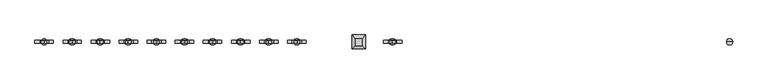
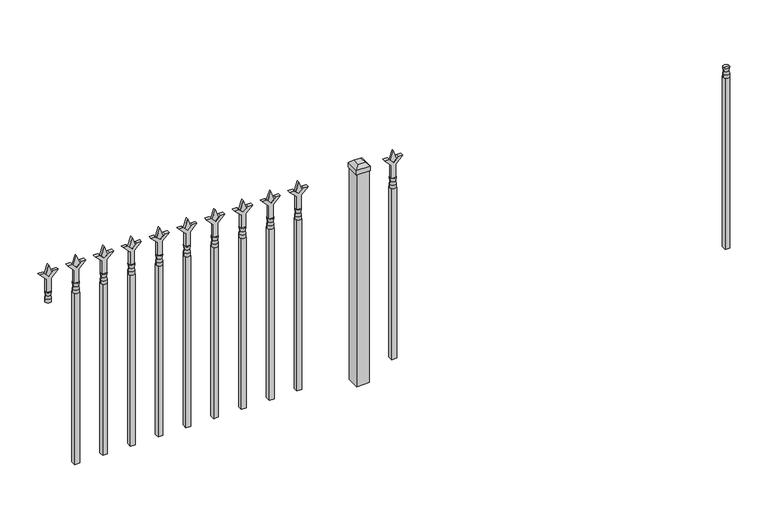
"""IFC4 building model written with IfcOpenShell, lengths in millimetres: railing geometry."""

from ifc_helpers import new_model, si_unit, frame, origin, origin_with_axes, place, context, project, spatial, polyline, circle_curve, outline, extrude, faceted_brep, source, transform, mapped, element, save
from ifc_brep_helpers import plane_surface, cylinder_surface, revolved_surface, advanced_brep


def railing_294f4ce1(model_context):
    return source(origin(), model_context, "Body", "SolidModel", [
        advanced_brep(
        [(-88770.174337, -3073.6570174, 774.7), (-88793.986837, -3073.6570174, 774.7), (-88793.986837, -3073.6570174, 762.0), (-88770.174337, -3073.6570174, 762.0), (-88772.3796688, -3073.6570174, 787.2070585), (-88791.7815051, -3073.6570174, 787.2070585), (-88770.174337, -3073.6570174, 803.275), (-88793.986837, -3073.6570174, 803.275), (-88782.080587, -3073.6570174, 803.275), (-88782.080587, -3073.6570174, 762.0)],
        [
            (0, 1, circle_curve(frame((-88782.080587, -3073.6570174, 774.7), z_axis=(0.0, 0.0, -1.0), x_axis=(-1.0, 0.0, 0.0)), 11.90625)),
            (1, 2),
            (2, 3, circle_curve(frame((-88782.080587, -3073.6570174, 762.0), z_axis=(0.0, 0.0, 1.0), x_axis=(-1.0, 0.0, 0.0)), 11.90625)),
            (3, 0),
            (1, 0, circle_curve(frame((-88782.080587, -3073.6570174, 774.7), z_axis=(0.0, 0.0, -1.0), x_axis=(-1.0, 0.0, 0.0)), 11.90625)),
            (3, 2, circle_curve(frame((-88782.080587, -3073.6570174, 762.0), z_axis=(0.0, 0.0, 1.0), x_axis=(-1.0, 0.0, 0.0)), 11.90625)),
            (4, 5, circle_curve(frame((-88782.080587, -3073.6570174, 787.2070585), z_axis=(0.0, 0.0, -1.0), x_axis=(-1.0, 0.0, 0.0)), 9.7009181)),
            (5, 1),
            (0, 4),
            (5, 4, circle_curve(frame((-88782.080587, -3073.6570174, 787.2070585), z_axis=(0.0, 0.0, -1.0), x_axis=(-1.0, 0.0, 0.0)), 9.7009181)),
            (6, 7, circle_curve(frame((-88782.080587, -3073.6570174, 803.275), z_axis=(0.0, 0.0, -1.0), x_axis=(-1.0, 0.0, 0.0)), 11.90625)),
            (7, 5),
            (4, 6),
            (7, 6, circle_curve(frame((-88782.080587, -3073.6570174, 803.275), z_axis=(0.0, 0.0, -1.0), x_axis=(-1.0, 0.0, 0.0)), 11.90625)),
            (8, 7),
            (6, 8),
            (2, 9),
            (9, 3),
        ],
        [
            cylinder_surface(frame((-88782.080587, -3073.6570174, 762.0), z_axis=(0.0, 0.0, 1.0), x_axis=(-1.0, 0.0, 0.0)), 11.90625),
            revolved_surface(polyline([(-88793.986837, -3073.6570174, 774.7), (-88791.7815051, -3073.6570174, 787.2070585)]), (-88782.080587, -3073.6570174, 762.0), (0.0, 0.0, 1.0)),
            revolved_surface(polyline([(-88791.7815051, -3073.6570174, 787.2070585), (-88793.986837, -3073.6570174, 803.275)]), (-88782.080587, -3073.6570174, 762.0), (0.0, 0.0, 1.0)),
            plane_surface(frame((-88782.080587, -3073.6570174, 803.275), z_axis=(0.0, 0.0, 1.0), x_axis=(-1.0, 0.0, 0.0))),
            plane_surface(frame((-88782.080587, -3073.6570174, 762.0), z_axis=(0.0, 0.0, -1.0), x_axis=(-1.0, 0.0, 0.0))),
        ],
        [
            (0, [[1, 2, 3, 4]]),
            (0, [[5, -4, 6, -2]]),
            (1, [[7, 8, -1, 9]]),
            (1, [[10, -9, -5, -8]]),
            (2, [[11, 12, -7, 13]]),
            (2, [[14, -13, -10, -12]]),
            (3, [[15, -11, 16]]),
            (3, [[-16, -14, -15]]),
            (4, [[-3, 17, 18]]),
            (4, [[-6, -18, -17]]),
        ],
    ),
        extrude(outline(polyline([(-88791.605587, -3064.1320174), (-88772.555587, -3064.1320174), (-88772.555587, -3083.1820174), (-88791.605587, -3083.1820174), (-88791.605587, -3064.1320174)])), frame((0.0, 0.0, 50.8), z_axis=(0.0, 0.0, 1.0), x_axis=(1.0, 0.0, 0.0)), (0.0, 0.0, 1.0), 711.2),
        extrude(outline(polyline([(878.68125, -90081.449337), (914.4, -90093.355587), (878.68125, -90105.261837), (866.775, -90093.355587), (878.68125, -90081.449337)])), frame((0.0, -3078.4195174, 0.0), z_axis=(0.0, 1.0, 0.0), x_axis=(0.0, 0.0, 1.0)), (0.0, 0.0, 1.0), 9.525),
        extrude(outline(polyline([(803.275, -90084.624337), (857.5457378, -90084.624337), (884.7355122, -90057.4345625), (884.7355122, -90075.3950747), (866.775, -90093.355587), (884.7355122, -90111.3160992), (884.7355122, -90129.2766114), (857.5457378, -90102.086837), (803.275, -90102.086837), (803.275, -90084.624337)])), frame((0.0, -3080.0070174, 0.0), z_axis=(0.0, 1.0, 0.0), x_axis=(0.0, 0.0, 1.0)), (0.0, 0.0, 1.0), 12.7),
        advanced_brep(
        [(-90081.449337, -3073.6570174, 774.7), (-90105.261837, -3073.6570174, 774.7), (-90105.261837, -3073.6570174, 762.0), (-90081.449337, -3073.6570174, 762.0), (-90083.6546688, -3073.6570174, 787.2070585), (-90103.0565051, -3073.6570174, 787.2070585), (-90081.449337, -3073.6570174, 803.275), (-90105.261837, -3073.6570174, 803.275), (-90093.355587, -3073.6570174, 803.275), (-90093.355587, -3073.6570174, 762.0)],
        [
            (0, 1, circle_curve(frame((-90093.355587, -3073.6570174, 774.7), z_axis=(0.0, 0.0, -1.0), x_axis=(-1.0, 0.0, 0.0)), 11.90625)),
            (1, 2),
            (2, 3, circle_curve(frame((-90093.355587, -3073.6570174, 762.0), z_axis=(0.0, 0.0, 1.0), x_axis=(-1.0, 0.0, 0.0)), 11.90625)),
            (3, 0),
            (1, 0, circle_curve(frame((-90093.355587, -3073.6570174, 774.7), z_axis=(0.0, 0.0, -1.0), x_axis=(-1.0, 0.0, 0.0)), 11.90625)),
            (3, 2, circle_curve(frame((-90093.355587, -3073.6570174, 762.0), z_axis=(0.0, 0.0, 1.0), x_axis=(-1.0, 0.0, 0.0)), 11.90625)),
            (4, 5, circle_curve(frame((-90093.355587, -3073.6570174, 787.2070585), z_axis=(0.0, 0.0, -1.0), x_axis=(-1.0, 0.0, 0.0)), 9.7009181)),
            (5, 1),
            (0, 4),
            (5, 4, circle_curve(frame((-90093.355587, -3073.6570174, 787.2070585), z_axis=(0.0, 0.0, -1.0), x_axis=(-1.0, 0.0, 0.0)), 9.7009181)),
            (6, 7, circle_curve(frame((-90093.355587, -3073.6570174, 803.275), z_axis=(0.0, 0.0, -1.0), x_axis=(-1.0, 0.0, 0.0)), 11.90625)),
            (7, 5),
            (4, 6),
            (7, 6, circle_curve(frame((-90093.355587, -3073.6570174, 803.275), z_axis=(0.0, 0.0, -1.0), x_axis=(-1.0, 0.0, 0.0)), 11.90625)),
            (8, 7),
            (6, 8),
            (2, 9),
            (9, 3),
        ],
        [
            cylinder_surface(frame((-90093.355587, -3073.6570174, 762.0), z_axis=(0.0, 0.0, 1.0), x_axis=(-1.0, 0.0, 0.0)), 11.90625),
            revolved_surface(polyline([(-90105.261837, -3073.6570174, 774.7), (-90103.0565051, -3073.6570174, 787.2070585)]), (-90093.355587, -3073.6570174, 762.0), (0.0, 0.0, 1.0)),
            revolved_surface(polyline([(-90103.0565051, -3073.6570174, 787.2070585), (-90105.261837, -3073.6570174, 803.275)]), (-90093.355587, -3073.6570174, 762.0), (0.0, 0.0, 1.0)),
            plane_surface(frame((-90093.355587, -3073.6570174, 803.275), z_axis=(0.0, 0.0, 1.0), x_axis=(-1.0, 0.0, 0.0))),
            plane_surface(frame((-90093.355587, -3073.6570174, 762.0), z_axis=(0.0, 0.0, -1.0), x_axis=(-1.0, 0.0, 0.0))),
        ],
        [
            (0, [[1, 2, 3, 4]]),
            (0, [[5, -4, 6, -2]]),
            (1, [[7, 8, -1, 9]]),
            (1, [[10, -9, -5, -8]]),
            (2, [[11, 12, -7, 13]]),
            (2, [[14, -13, -10, -12]]),
            (3, [[15, -11, 16]]),
            (3, [[-16, -14, -15]]),
            (4, [[-3, 17, 18]]),
            (4, [[-6, -18, -17]]),
        ],
    ),
        extrude(outline(polyline([(-90102.880587, -3064.1320174), (-90083.830587, -3064.1320174), (-90083.830587, -3083.1820174), (-90102.880587, -3083.1820174), (-90102.880587, -3064.1320174)])), frame((0.0, 0.0, 50.8), z_axis=(0.0, 0.0, 1.0), x_axis=(1.0, 0.0, 0.0)), (0.0, 0.0, 1.0), 711.2),
        faceted_brep([(-90252.105587, -3046.6695174, 901.7), (-90252.105587, -3046.6695174, 882.65), (-90252.105587, -3100.6445174, 882.65), (-90252.105587, -3100.6445174, 901.7), (-90239.405587, -3059.3695174, 914.4), (-90239.405587, -3087.9445174, 914.4), (-90198.130587, -3100.6445174, 882.65), (-90198.130587, -3100.6445174, 901.7), (-90210.830587, -3087.9445174, 914.4), (-90198.130587, -3046.6695174, 882.65), (-90198.130587, -3046.6695174, 901.7), (-90210.830587, -3059.3695174, 914.4)], [[[0, 1, 2, 3]], [[4, 0, 3, 5]], [[3, 2, 6, 7]], [[5, 3, 7, 8]], [[7, 6, 9, 10]], [[8, 7, 10, 11]], [[10, 9, 1, 0]], [[11, 10, 0, 4]], [[5, 8, 11, 4]], [[1, 9, 6, 2]]]),
        extrude(outline(polyline([(-90199.718087, -3048.2570174), (-90199.718087, -3099.0570174), (-90250.518087, -3099.0570174), (-90250.518087, -3048.2570174), (-90199.718087, -3048.2570174)])), origin_with_axes(), (0.0, 0.0, 1.0), 882.65),
        extrude(outline(polyline([(878.68125, -90454.2472536), (914.4, -90466.1535036), (878.68125, -90478.0597536), (866.775, -90466.1535036), (878.68125, -90454.2472536)])), frame((0.0, -3078.4195174, 0.0), z_axis=(0.0, 1.0, 0.0), x_axis=(0.0, 0.0, 1.0)), (0.0, 0.0, 1.0), 9.525),
        extrude(outline(polyline([(803.275, -90457.4222536), (857.5457378, -90457.4222536), (884.7355122, -90430.2324791), (884.7355122, -90448.1929914), (866.775, -90466.1535036), (884.7355122, -90484.1140159), (884.7355122, -90502.0745281), (857.5457378, -90474.8847536), (803.275, -90474.8847536), (803.275, -90457.4222536)])), frame((0.0, -3080.0070174, 0.0), z_axis=(0.0, 1.0, 0.0), x_axis=(0.0, 0.0, 1.0)), (0.0, 0.0, 1.0), 12.7),
        advanced_brep(
        [(-90454.2472536, -3073.6570174, 774.7), (-90478.0597536, -3073.6570174, 774.7), (-90478.0597536, -3073.6570174, 762.0), (-90454.2472536, -3073.6570174, 762.0), (-90456.4525855, -3073.6570174, 787.2070585), (-90475.8544218, -3073.6570174, 787.2070585), (-90454.2472536, -3073.6570174, 803.275), (-90478.0597536, -3073.6570174, 803.275), (-90466.1535036, -3073.6570174, 803.275), (-90466.1535036, -3073.6570174, 762.0)],
        [
            (0, 1, circle_curve(frame((-90466.1535036, -3073.6570174, 774.7), z_axis=(0.0, 0.0, -1.0), x_axis=(-1.0, 0.0, 0.0)), 11.90625)),
            (1, 2),
            (2, 3, circle_curve(frame((-90466.1535036, -3073.6570174, 762.0), z_axis=(0.0, 0.0, 1.0), x_axis=(-1.0, 0.0, 0.0)), 11.90625)),
            (3, 0),
            (1, 0, circle_curve(frame((-90466.1535036, -3073.6570174, 774.7), z_axis=(0.0, 0.0, -1.0), x_axis=(-1.0, 0.0, 0.0)), 11.90625)),
            (3, 2, circle_curve(frame((-90466.1535036, -3073.6570174, 762.0), z_axis=(0.0, 0.0, 1.0), x_axis=(-1.0, 0.0, 0.0)), 11.90625)),
            (4, 5, circle_curve(frame((-90466.1535036, -3073.6570174, 787.2070585), z_axis=(0.0, 0.0, -1.0), x_axis=(-1.0, 0.0, 0.0)), 9.7009181)),
            (5, 1),
            (0, 4),
            (5, 4, circle_curve(frame((-90466.1535036, -3073.6570174, 787.2070585), z_axis=(0.0, 0.0, -1.0), x_axis=(-1.0, 0.0, 0.0)), 9.7009181)),
            (6, 7, circle_curve(frame((-90466.1535036, -3073.6570174, 803.275), z_axis=(0.0, 0.0, -1.0), x_axis=(-1.0, 0.0, 0.0)), 11.90625)),
            (7, 5),
            (4, 6),
            (7, 6, circle_curve(frame((-90466.1535036, -3073.6570174, 803.275), z_axis=(0.0, 0.0, -1.0), x_axis=(-1.0, 0.0, 0.0)), 11.90625)),
            (8, 7),
            (6, 8),
            (2, 9),
            (9, 3),
        ],
        [
            cylinder_surface(frame((-90466.1535036, -3073.6570174, 762.0), z_axis=(0.0, 0.0, 1.0), x_axis=(-1.0, 0.0, 0.0)), 11.90625),
            revolved_surface(polyline([(-90478.0597536, -3073.6570174, 774.7), (-90475.8544218, -3073.6570174, 787.2070585)]), (-90466.1535036, -3073.6570174, 762.0), (0.0, 0.0, 1.0)),
            revolved_surface(polyline([(-90475.8544218, -3073.6570174, 787.2070585), (-90478.0597536, -3073.6570174, 803.275)]), (-90466.1535036, -3073.6570174, 762.0), (0.0, 0.0, 1.0)),
            plane_surface(frame((-90466.1535036, -3073.6570174, 803.275), z_axis=(0.0, 0.0, 1.0), x_axis=(-1.0, 0.0, 0.0))),
            plane_surface(frame((-90466.1535036, -3073.6570174, 762.0), z_axis=(0.0, 0.0, -1.0), x_axis=(-1.0, 0.0, 0.0))),
        ],
        [
            (0, [[1, 2, 3, 4]]),
            (0, [[5, -4, 6, -2]]),
            (1, [[7, 8, -1, 9]]),
            (1, [[10, -9, -5, -8]]),
            (2, [[11, 12, -7, 13]]),
            (2, [[14, -13, -10, -12]]),
            (3, [[15, -11, 16]]),
            (3, [[-16, -14, -15]]),
            (4, [[-3, 17, 18]]),
            (4, [[-6, -18, -17]]),
        ],
    ),
        extrude(outline(polyline([(-90475.6785036, -3064.1320174), (-90456.6285036, -3064.1320174), (-90456.6285036, -3083.1820174), (-90475.6785036, -3083.1820174), (-90475.6785036, -3064.1320174)])), frame((0.0, 0.0, 50.8), z_axis=(0.0, 0.0, 1.0), x_axis=(1.0, 0.0, 0.0)), (0.0, 0.0, 1.0), 711.2),
        extrude(outline(polyline([(878.68125, -90563.5201703), (914.4, -90575.4264203), (878.68125, -90587.3326703), (866.775, -90575.4264203), (878.68125, -90563.5201703)])), frame((0.0, -3078.4195174, 0.0), z_axis=(0.0, 1.0, 0.0), x_axis=(0.0, 0.0, 1.0)), (0.0, 0.0, 1.0), 9.525),
        extrude(outline(polyline([(803.275, -90566.6951703), (857.5457378, -90566.6951703), (884.7355122, -90539.5053958), (884.7355122, -90557.4659081), (866.775, -90575.4264203), (884.7355122, -90593.3869325), (884.7355122, -90611.3474448), (857.5457378, -90584.1576703), (803.275, -90584.1576703), (803.275, -90566.6951703)])), frame((0.0, -3080.0070174, 0.0), z_axis=(0.0, 1.0, 0.0), x_axis=(0.0, 0.0, 1.0)), (0.0, 0.0, 1.0), 12.7),
        advanced_brep(
        [(-90563.5201703, -3073.6570174, 774.7), (-90587.3326703, -3073.6570174, 774.7), (-90587.3326703, -3073.6570174, 762.0), (-90563.5201703, -3073.6570174, 762.0), (-90565.7255022, -3073.6570174, 787.2070585), (-90585.1273384, -3073.6570174, 787.2070585), (-90563.5201703, -3073.6570174, 803.275), (-90587.3326703, -3073.6570174, 803.275), (-90575.4264203, -3073.6570174, 803.275), (-90575.4264203, -3073.6570174, 762.0)],
        [
            (0, 1, circle_curve(frame((-90575.4264203, -3073.6570174, 774.7), z_axis=(0.0, 0.0, -1.0), x_axis=(-1.0, 0.0, 0.0)), 11.90625)),
            (1, 2),
            (2, 3, circle_curve(frame((-90575.4264203, -3073.6570174, 762.0), z_axis=(0.0, 0.0, 1.0), x_axis=(-1.0, 0.0, 0.0)), 11.90625)),
            (3, 0),
            (1, 0, circle_curve(frame((-90575.4264203, -3073.6570174, 774.7), z_axis=(0.0, 0.0, -1.0), x_axis=(-1.0, 0.0, 0.0)), 11.90625)),
            (3, 2, circle_curve(frame((-90575.4264203, -3073.6570174, 762.0), z_axis=(0.0, 0.0, 1.0), x_axis=(-1.0, 0.0, 0.0)), 11.90625)),
            (4, 5, circle_curve(frame((-90575.4264203, -3073.6570174, 787.2070585), z_axis=(0.0, 0.0, -1.0), x_axis=(-1.0, 0.0, 0.0)), 9.7009181)),
            (5, 1),
            (0, 4),
            (5, 4, circle_curve(frame((-90575.4264203, -3073.6570174, 787.2070585), z_axis=(0.0, 0.0, -1.0), x_axis=(-1.0, 0.0, 0.0)), 9.7009181)),
            (6, 7, circle_curve(frame((-90575.4264203, -3073.6570174, 803.275), z_axis=(0.0, 0.0, -1.0), x_axis=(-1.0, 0.0, 0.0)), 11.90625)),
            (7, 5),
            (4, 6),
            (7, 6, circle_curve(frame((-90575.4264203, -3073.6570174, 803.275), z_axis=(0.0, 0.0, -1.0), x_axis=(-1.0, 0.0, 0.0)), 11.90625)),
            (8, 7),
            (6, 8),
            (2, 9),
            (9, 3),
        ],
        [
            cylinder_surface(frame((-90575.4264203, -3073.6570174, 762.0), z_axis=(0.0, 0.0, 1.0), x_axis=(-1.0, 0.0, 0.0)), 11.90625),
            revolved_surface(polyline([(-90587.3326703, -3073.6570174, 774.7), (-90585.1273384, -3073.6570174, 787.2070585)]), (-90575.4264203, -3073.6570174, 762.0), (0.0, 0.0, 1.0)),
            revolved_surface(polyline([(-90585.1273384, -3073.6570174, 787.2070585), (-90587.3326703, -3073.6570174, 803.275)]), (-90575.4264203, -3073.6570174, 762.0), (0.0, 0.0, 1.0)),
            plane_surface(frame((-90575.4264203, -3073.6570174, 803.275), z_axis=(0.0, 0.0, 1.0), x_axis=(-1.0, 0.0, 0.0))),
            plane_surface(frame((-90575.4264203, -3073.6570174, 762.0), z_axis=(0.0, 0.0, -1.0), x_axis=(-1.0, 0.0, 0.0))),
        ],
        [
            (0, [[1, 2, 3, 4]]),
            (0, [[5, -4, 6, -2]]),
            (1, [[7, 8, -1, 9]]),
            (1, [[10, -9, -5, -8]]),
            (2, [[11, 12, -7, 13]]),
            (2, [[14, -13, -10, -12]]),
            (3, [[15, -11, 16]]),
            (3, [[-16, -14, -15]]),
            (4, [[-3, 17, 18]]),
            (4, [[-6, -18, -17]]),
        ],
    ),
        extrude(outline(polyline([(-90584.9514203, -3064.1320174), (-90565.9014203, -3064.1320174), (-90565.9014203, -3083.1820174), (-90584.9514203, -3083.1820174), (-90584.9514203, -3064.1320174)])), frame((0.0, 0.0, 50.8), z_axis=(0.0, 0.0, 1.0), x_axis=(1.0, 0.0, 0.0)), (0.0, 0.0, 1.0), 711.2),
        extrude(outline(polyline([(878.68125, -90672.793087), (914.4, -90684.699337), (878.68125, -90696.605587), (866.775, -90684.699337), (878.68125, -90672.793087)])), frame((0.0, -3078.4195174, 0.0), z_axis=(0.0, 1.0, 0.0), x_axis=(0.0, 0.0, 1.0)), (0.0, 0.0, 1.0), 9.525),
        extrude(outline(polyline([(803.275, -90675.968087), (857.5457378, -90675.968087), (884.7355122, -90648.7783125), (884.7355122, -90666.7388247), (866.775, -90684.699337), (884.7355122, -90702.6598492), (884.7355122, -90720.6203614), (857.5457378, -90693.430587), (803.275, -90693.430587), (803.275, -90675.968087)])), frame((0.0, -3080.0070174, 0.0), z_axis=(0.0, 1.0, 0.0), x_axis=(0.0, 0.0, 1.0)), (0.0, 0.0, 1.0), 12.7),
        advanced_brep(
        [(-90672.793087, -3073.6570174, 774.7), (-90696.605587, -3073.6570174, 774.7), (-90696.605587, -3073.6570174, 762.0), (-90672.793087, -3073.6570174, 762.0), (-90674.9984188, -3073.6570174, 787.2070585), (-90694.4002551, -3073.6570174, 787.2070585), (-90672.793087, -3073.6570174, 803.275), (-90696.605587, -3073.6570174, 803.275), (-90684.699337, -3073.6570174, 803.275), (-90684.699337, -3073.6570174, 762.0)],
        [
            (0, 1, circle_curve(frame((-90684.699337, -3073.6570174, 774.7), z_axis=(0.0, 0.0, -1.0), x_axis=(-1.0, 0.0, 0.0)), 11.90625)),
            (1, 2),
            (2, 3, circle_curve(frame((-90684.699337, -3073.6570174, 762.0), z_axis=(0.0, 0.0, 1.0), x_axis=(-1.0, 0.0, 0.0)), 11.90625)),
            (3, 0),
            (1, 0, circle_curve(frame((-90684.699337, -3073.6570174, 774.7), z_axis=(0.0, 0.0, -1.0), x_axis=(-1.0, 0.0, 0.0)), 11.90625)),
            (3, 2, circle_curve(frame((-90684.699337, -3073.6570174, 762.0), z_axis=(0.0, 0.0, 1.0), x_axis=(-1.0, 0.0, 0.0)), 11.90625)),
            (4, 5, circle_curve(frame((-90684.699337, -3073.6570174, 787.2070585), z_axis=(0.0, 0.0, -1.0), x_axis=(-1.0, 0.0, 0.0)), 9.7009181)),
            (5, 1),
            (0, 4),
            (5, 4, circle_curve(frame((-90684.699337, -3073.6570174, 787.2070585), z_axis=(0.0, 0.0, -1.0), x_axis=(-1.0, 0.0, 0.0)), 9.7009181)),
            (6, 7, circle_curve(frame((-90684.699337, -3073.6570174, 803.275), z_axis=(0.0, 0.0, -1.0), x_axis=(-1.0, 0.0, 0.0)), 11.90625)),
            (7, 5),
            (4, 6),
            (7, 6, circle_curve(frame((-90684.699337, -3073.6570174, 803.275), z_axis=(0.0, 0.0, -1.0), x_axis=(-1.0, 0.0, 0.0)), 11.90625)),
            (8, 7),
            (6, 8),
            (2, 9),
            (9, 3),
        ],
        [
            cylinder_surface(frame((-90684.699337, -3073.6570174, 762.0), z_axis=(0.0, 0.0, 1.0), x_axis=(-1.0, 0.0, 0.0)), 11.90625),
            revolved_surface(polyline([(-90696.605587, -3073.6570174, 774.7), (-90694.4002551, -3073.6570174, 787.2070585)]), (-90684.699337, -3073.6570174, 762.0), (0.0, 0.0, 1.0)),
            revolved_surface(polyline([(-90694.4002551, -3073.6570174, 787.2070585), (-90696.605587, -3073.6570174, 803.275)]), (-90684.699337, -3073.6570174, 762.0), (0.0, 0.0, 1.0)),
            plane_surface(frame((-90684.699337, -3073.6570174, 803.275), z_axis=(0.0, 0.0, 1.0), x_axis=(-1.0, 0.0, 0.0))),
            plane_surface(frame((-90684.699337, -3073.6570174, 762.0), z_axis=(0.0, 0.0, -1.0), x_axis=(-1.0, 0.0, 0.0))),
        ],
        [
            (0, [[1, 2, 3, 4]]),
            (0, [[5, -4, 6, -2]]),
            (1, [[7, 8, -1, 9]]),
            (1, [[10, -9, -5, -8]]),
            (2, [[11, 12, -7, 13]]),
            (2, [[14, -13, -10, -12]]),
            (3, [[15, -11, 16]]),
            (3, [[-16, -14, -15]]),
            (4, [[-3, 17, 18]]),
            (4, [[-6, -18, -17]]),
        ],
    ),
        extrude(outline(polyline([(-90694.224337, -3064.1320174), (-90675.174337, -3064.1320174), (-90675.174337, -3083.1820174), (-90694.224337, -3083.1820174), (-90694.224337, -3064.1320174)])), frame((0.0, 0.0, 50.8), z_axis=(0.0, 0.0, 1.0), x_axis=(1.0, 0.0, 0.0)), (0.0, 0.0, 1.0), 711.2),
        extrude(outline(polyline([(878.68125, -90782.0660036), (914.4, -90793.9722536), (878.68125, -90805.8785036), (866.775, -90793.9722536), (878.68125, -90782.0660036)])), frame((0.0, -3078.4195174, 0.0), z_axis=(0.0, 1.0, 0.0), x_axis=(0.0, 0.0, 1.0)), (0.0, 0.0, 1.0), 9.525),
        extrude(outline(polyline([(803.275, -90785.2410036), (857.5457378, -90785.2410036), (884.7355122, -90758.0512291), (884.7355122, -90776.0117414), (866.775, -90793.9722536), (884.7355122, -90811.9327659), (884.7355122, -90829.8932781), (857.5457378, -90802.7035036), (803.275, -90802.7035036), (803.275, -90785.2410036)])), frame((0.0, -3080.0070174, 0.0), z_axis=(0.0, 1.0, 0.0), x_axis=(0.0, 0.0, 1.0)), (0.0, 0.0, 1.0), 12.7),
        advanced_brep(
        [(-90782.0660036, -3073.6570174, 774.7), (-90805.8785036, -3073.6570174, 774.7), (-90805.8785036, -3073.6570174, 762.0), (-90782.0660036, -3073.6570174, 762.0), (-90784.2713355, -3073.6570174, 787.2070585), (-90803.6731718, -3073.6570174, 787.2070585), (-90782.0660036, -3073.6570174, 803.275), (-90805.8785036, -3073.6570174, 803.275), (-90793.9722536, -3073.6570174, 803.275), (-90793.9722536, -3073.6570174, 762.0)],
        [
            (0, 1, circle_curve(frame((-90793.9722536, -3073.6570174, 774.7), z_axis=(0.0, 0.0, -1.0), x_axis=(-1.0, 0.0, 0.0)), 11.90625)),
            (1, 2),
            (2, 3, circle_curve(frame((-90793.9722536, -3073.6570174, 762.0), z_axis=(0.0, 0.0, 1.0), x_axis=(-1.0, 0.0, 0.0)), 11.90625)),
            (3, 0),
            (1, 0, circle_curve(frame((-90793.9722536, -3073.6570174, 774.7), z_axis=(0.0, 0.0, -1.0), x_axis=(-1.0, 0.0, 0.0)), 11.90625)),
            (3, 2, circle_curve(frame((-90793.9722536, -3073.6570174, 762.0), z_axis=(0.0, 0.0, 1.0), x_axis=(-1.0, 0.0, 0.0)), 11.90625)),
            (4, 5, circle_curve(frame((-90793.9722536, -3073.6570174, 787.2070585), z_axis=(0.0, 0.0, -1.0), x_axis=(-1.0, 0.0, 0.0)), 9.7009181)),
            (5, 1),
            (0, 4),
            (5, 4, circle_curve(frame((-90793.9722536, -3073.6570174, 787.2070585), z_axis=(0.0, 0.0, -1.0), x_axis=(-1.0, 0.0, 0.0)), 9.7009181)),
            (6, 7, circle_curve(frame((-90793.9722536, -3073.6570174, 803.275), z_axis=(0.0, 0.0, -1.0), x_axis=(-1.0, 0.0, 0.0)), 11.90625)),
            (7, 5),
            (4, 6),
            (7, 6, circle_curve(frame((-90793.9722536, -3073.6570174, 803.275), z_axis=(0.0, 0.0, -1.0), x_axis=(-1.0, 0.0, 0.0)), 11.90625)),
            (8, 7),
            (6, 8),
            (2, 9),
            (9, 3),
        ],
        [
            cylinder_surface(frame((-90793.9722536, -3073.6570174, 762.0), z_axis=(0.0, 0.0, 1.0), x_axis=(-1.0, 0.0, 0.0)), 11.90625),
            revolved_surface(polyline([(-90805.8785036, -3073.6570174, 774.7), (-90803.6731718, -3073.6570174, 787.2070585)]), (-90793.9722536, -3073.6570174, 762.0), (0.0, 0.0, 1.0)),
            revolved_surface(polyline([(-90803.6731718, -3073.6570174, 787.2070585), (-90805.8785036, -3073.6570174, 803.275)]), (-90793.9722536, -3073.6570174, 762.0), (0.0, 0.0, 1.0)),
            plane_surface(frame((-90793.9722536, -3073.6570174, 803.275), z_axis=(0.0, 0.0, 1.0), x_axis=(-1.0, 0.0, 0.0))),
            plane_surface(frame((-90793.9722536, -3073.6570174, 762.0), z_axis=(0.0, 0.0, -1.0), x_axis=(-1.0, 0.0, 0.0))),
        ],
        [
            (0, [[1, 2, 3, 4]]),
            (0, [[5, -4, 6, -2]]),
            (1, [[7, 8, -1, 9]]),
            (1, [[10, -9, -5, -8]]),
            (2, [[11, 12, -7, 13]]),
            (2, [[14, -13, -10, -12]]),
            (3, [[15, -11, 16]]),
            (3, [[-16, -14, -15]]),
            (4, [[-3, 17, 18]]),
            (4, [[-6, -18, -17]]),
        ],
    ),
        extrude(outline(polyline([(-90803.4972536, -3064.1320174), (-90784.4472536, -3064.1320174), (-90784.4472536, -3083.1820174), (-90803.4972536, -3083.1820174), (-90803.4972536, -3064.1320174)])), frame((0.0, 0.0, 50.8), z_axis=(0.0, 0.0, 1.0), x_axis=(1.0, 0.0, 0.0)), (0.0, 0.0, 1.0), 711.2),
        extrude(outline(polyline([(878.68125, -90891.3389203), (914.4, -90903.2451703), (878.68125, -90915.1514203), (866.775, -90903.2451703), (878.68125, -90891.3389203)])), frame((0.0, -3078.4195174, 0.0), z_axis=(0.0, 1.0, 0.0), x_axis=(0.0, 0.0, 1.0)), (0.0, 0.0, 1.0), 9.525),
        extrude(outline(polyline([(803.275, -90894.5139203), (857.5457378, -90894.5139203), (884.7355122, -90867.3241458), (884.7355122, -90885.2846581), (866.775, -90903.2451703), (884.7355122, -90921.2056825), (884.7355122, -90939.1661948), (857.5457378, -90911.9764203), (803.275, -90911.9764203), (803.275, -90894.5139203)])), frame((0.0, -3080.0070174, 0.0), z_axis=(0.0, 1.0, 0.0), x_axis=(0.0, 0.0, 1.0)), (0.0, 0.0, 1.0), 12.7),
        advanced_brep(
        [(-90891.3389203, -3073.6570174, 774.7), (-90915.1514203, -3073.6570174, 774.7), (-90915.1514203, -3073.6570174, 762.0), (-90891.3389203, -3073.6570174, 762.0), (-90893.5442522, -3073.6570174, 787.2070585), (-90912.9460884, -3073.6570174, 787.2070585), (-90891.3389203, -3073.6570174, 803.275), (-90915.1514203, -3073.6570174, 803.275), (-90903.2451703, -3073.6570174, 803.275), (-90903.2451703, -3073.6570174, 762.0)],
        [
            (0, 1, circle_curve(frame((-90903.2451703, -3073.6570174, 774.7), z_axis=(0.0, 0.0, -1.0), x_axis=(-1.0, 0.0, 0.0)), 11.90625)),
            (1, 2),
            (2, 3, circle_curve(frame((-90903.2451703, -3073.6570174, 762.0), z_axis=(0.0, 0.0, 1.0), x_axis=(-1.0, 0.0, 0.0)), 11.90625)),
            (3, 0),
            (1, 0, circle_curve(frame((-90903.2451703, -3073.6570174, 774.7), z_axis=(0.0, 0.0, -1.0), x_axis=(-1.0, 0.0, 0.0)), 11.90625)),
            (3, 2, circle_curve(frame((-90903.2451703, -3073.6570174, 762.0), z_axis=(0.0, 0.0, 1.0), x_axis=(-1.0, 0.0, 0.0)), 11.90625)),
            (4, 5, circle_curve(frame((-90903.2451703, -3073.6570174, 787.2070585), z_axis=(0.0, 0.0, -1.0), x_axis=(-1.0, 0.0, 0.0)), 9.7009181)),
            (5, 1),
            (0, 4),
            (5, 4, circle_curve(frame((-90903.2451703, -3073.6570174, 787.2070585), z_axis=(0.0, 0.0, -1.0), x_axis=(-1.0, 0.0, 0.0)), 9.7009181)),
            (6, 7, circle_curve(frame((-90903.2451703, -3073.6570174, 803.275), z_axis=(0.0, 0.0, -1.0), x_axis=(-1.0, 0.0, 0.0)), 11.90625)),
            (7, 5),
            (4, 6),
            (7, 6, circle_curve(frame((-90903.2451703, -3073.6570174, 803.275), z_axis=(0.0, 0.0, -1.0), x_axis=(-1.0, 0.0, 0.0)), 11.90625)),
            (8, 7),
            (6, 8),
            (2, 9),
            (9, 3),
        ],
        [
            cylinder_surface(frame((-90903.2451703, -3073.6570174, 762.0), z_axis=(0.0, 0.0, 1.0), x_axis=(-1.0, 0.0, 0.0)), 11.90625),
            revolved_surface(polyline([(-90915.1514203, -3073.6570174, 774.7), (-90912.9460884, -3073.6570174, 787.2070585)]), (-90903.2451703, -3073.6570174, 762.0), (0.0, 0.0, 1.0)),
            revolved_surface(polyline([(-90912.9460884, -3073.6570174, 787.2070585), (-90915.1514203, -3073.6570174, 803.275)]), (-90903.2451703, -3073.6570174, 762.0), (0.0, 0.0, 1.0)),
            plane_surface(frame((-90903.2451703, -3073.6570174, 803.275), z_axis=(0.0, 0.0, 1.0), x_axis=(-1.0, 0.0, 0.0))),
            plane_surface(frame((-90903.2451703, -3073.6570174, 762.0), z_axis=(0.0, 0.0, -1.0), x_axis=(-1.0, 0.0, 0.0))),
        ],
        [
            (0, [[1, 2, 3, 4]]),
            (0, [[5, -4, 6, -2]]),
            (1, [[7, 8, -1, 9]]),
            (1, [[10, -9, -5, -8]]),
            (2, [[11, 12, -7, 13]]),
            (2, [[14, -13, -10, -12]]),
            (3, [[15, -11, 16]]),
            (3, [[-16, -14, -15]]),
            (4, [[-3, 17, 18]]),
            (4, [[-6, -18, -17]]),
        ],
    ),
        extrude(outline(polyline([(-90912.7701703, -3064.1320174), (-90893.7201703, -3064.1320174), (-90893.7201703, -3083.1820174), (-90912.7701703, -3083.1820174), (-90912.7701703, -3064.1320174)])), frame((0.0, 0.0, 50.8), z_axis=(0.0, 0.0, 1.0), x_axis=(1.0, 0.0, 0.0)), (0.0, 0.0, 1.0), 711.2),
        extrude(outline(polyline([(878.68125, -91000.611837), (914.4, -91012.518087), (878.68125, -91024.424337), (866.775, -91012.518087), (878.68125, -91000.611837)])), frame((0.0, -3078.4195174, 0.0), z_axis=(0.0, 1.0, 0.0), x_axis=(0.0, 0.0, 1.0)), (0.0, 0.0, 1.0), 9.525),
        extrude(outline(polyline([(803.275, -91003.786837), (857.5457378, -91003.786837), (884.7355122, -90976.5970625), (884.7355122, -90994.5575747), (866.775, -91012.518087), (884.7355122, -91030.4785992), (884.7355122, -91048.4391114), (857.5457378, -91021.249337), (803.275, -91021.249337), (803.275, -91003.786837)])), frame((0.0, -3080.0070174, 0.0), z_axis=(0.0, 1.0, 0.0), x_axis=(0.0, 0.0, 1.0)), (0.0, 0.0, 1.0), 12.7),
        advanced_brep(
        [(-91000.611837, -3073.6570174, 774.7), (-91024.424337, -3073.6570174, 774.7), (-91024.424337, -3073.6570174, 762.0), (-91000.611837, -3073.6570174, 762.0), (-91002.8171688, -3073.6570174, 787.2070585), (-91022.2190051, -3073.6570174, 787.2070585), (-91000.611837, -3073.6570174, 803.275), (-91024.424337, -3073.6570174, 803.275), (-91012.518087, -3073.6570174, 803.275), (-91012.518087, -3073.6570174, 762.0)],
        [
            (0, 1, circle_curve(frame((-91012.518087, -3073.6570174, 774.7), z_axis=(0.0, 0.0, -1.0), x_axis=(-1.0, 0.0, 0.0)), 11.90625)),
            (1, 2),
            (2, 3, circle_curve(frame((-91012.518087, -3073.6570174, 762.0), z_axis=(0.0, 0.0, 1.0), x_axis=(-1.0, 0.0, 0.0)), 11.90625)),
            (3, 0),
            (1, 0, circle_curve(frame((-91012.518087, -3073.6570174, 774.7), z_axis=(0.0, 0.0, -1.0), x_axis=(-1.0, 0.0, 0.0)), 11.90625)),
            (3, 2, circle_curve(frame((-91012.518087, -3073.6570174, 762.0), z_axis=(0.0, 0.0, 1.0), x_axis=(-1.0, 0.0, 0.0)), 11.90625)),
            (4, 5, circle_curve(frame((-91012.518087, -3073.6570174, 787.2070585), z_axis=(0.0, 0.0, -1.0), x_axis=(-1.0, 0.0, 0.0)), 9.7009181)),
            (5, 1),
            (0, 4),
            (5, 4, circle_curve(frame((-91012.518087, -3073.6570174, 787.2070585), z_axis=(0.0, 0.0, -1.0), x_axis=(-1.0, 0.0, 0.0)), 9.7009181)),
            (6, 7, circle_curve(frame((-91012.518087, -3073.6570174, 803.275), z_axis=(0.0, 0.0, -1.0), x_axis=(-1.0, 0.0, 0.0)), 11.90625)),
            (7, 5),
            (4, 6),
            (7, 6, circle_curve(frame((-91012.518087, -3073.6570174, 803.275), z_axis=(0.0, 0.0, -1.0), x_axis=(-1.0, 0.0, 0.0)), 11.90625)),
            (8, 7),
            (6, 8),
            (2, 9),
            (9, 3),
        ],
        [
            cylinder_surface(frame((-91012.518087, -3073.6570174, 762.0), z_axis=(0.0, 0.0, 1.0), x_axis=(-1.0, 0.0, 0.0)), 11.90625),
            revolved_surface(polyline([(-91024.424337, -3073.6570174, 774.7), (-91022.2190051, -3073.6570174, 787.2070585)]), (-91012.518087, -3073.6570174, 762.0), (0.0, 0.0, 1.0)),
            revolved_surface(polyline([(-91022.2190051, -3073.6570174, 787.2070585), (-91024.424337, -3073.6570174, 803.275)]), (-91012.518087, -3073.6570174, 762.0), (0.0, 0.0, 1.0)),
            plane_surface(frame((-91012.518087, -3073.6570174, 803.275), z_axis=(0.0, 0.0, 1.0), x_axis=(-1.0, 0.0, 0.0))),
            plane_surface(frame((-91012.518087, -3073.6570174, 762.0), z_axis=(0.0, 0.0, -1.0), x_axis=(-1.0, 0.0, 0.0))),
        ],
        [
            (0, [[1, 2, 3, 4]]),
            (0, [[5, -4, 6, -2]]),
            (1, [[7, 8, -1, 9]]),
            (1, [[10, -9, -5, -8]]),
            (2, [[11, 12, -7, 13]]),
            (2, [[14, -13, -10, -12]]),
            (3, [[15, -11, 16]]),
            (3, [[-16, -14, -15]]),
            (4, [[-3, 17, 18]]),
            (4, [[-6, -18, -17]]),
        ],
    ),
        extrude(outline(polyline([(-91022.043087, -3064.1320174), (-91002.993087, -3064.1320174), (-91002.993087, -3083.1820174), (-91022.043087, -3083.1820174), (-91022.043087, -3064.1320174)])), frame((0.0, 0.0, 50.8), z_axis=(0.0, 0.0, 1.0), x_axis=(1.0, 0.0, 0.0)), (0.0, 0.0, 1.0), 711.2),
        extrude(outline(polyline([(878.68125, -91109.8847536), (914.4, -91121.7910036), (878.68125, -91133.6972536), (866.775, -91121.7910036), (878.68125, -91109.8847536)])), frame((0.0, -3078.4195174, 0.0), z_axis=(0.0, 1.0, 0.0), x_axis=(0.0, 0.0, 1.0)), (0.0, 0.0, 1.0), 9.525),
        extrude(outline(polyline([(803.275, -91113.0597536), (857.5457378, -91113.0597536), (884.7355122, -91085.8699791), (884.7355122, -91103.8304914), (866.775, -91121.7910036), (884.7355122, -91139.7515159), (884.7355122, -91157.7120281), (857.5457378, -91130.5222536), (803.275, -91130.5222536), (803.275, -91113.0597536)])), frame((0.0, -3080.0070174, 0.0), z_axis=(0.0, 1.0, 0.0), x_axis=(0.0, 0.0, 1.0)), (0.0, 0.0, 1.0), 12.7),
        advanced_brep(
        [(-91109.8847536, -3073.6570174, 774.7), (-91133.6972536, -3073.6570174, 774.7), (-91133.6972536, -3073.6570174, 762.0), (-91109.8847536, -3073.6570174, 762.0), (-91112.0900855, -3073.6570174, 787.2070585), (-91131.4919218, -3073.6570174, 787.2070585), (-91109.8847536, -3073.6570174, 803.275), (-91133.6972536, -3073.6570174, 803.275), (-91121.7910036, -3073.6570174, 803.275), (-91121.7910036, -3073.6570174, 762.0)],
        [
            (0, 1, circle_curve(frame((-91121.7910036, -3073.6570174, 774.7), z_axis=(0.0, 0.0, -1.0), x_axis=(-1.0, 0.0, 0.0)), 11.90625)),
            (1, 2),
            (2, 3, circle_curve(frame((-91121.7910036, -3073.6570174, 762.0), z_axis=(0.0, 0.0, 1.0), x_axis=(-1.0, 0.0, 0.0)), 11.90625)),
            (3, 0),
            (1, 0, circle_curve(frame((-91121.7910036, -3073.6570174, 774.7), z_axis=(0.0, 0.0, -1.0), x_axis=(-1.0, 0.0, 0.0)), 11.90625)),
            (3, 2, circle_curve(frame((-91121.7910036, -3073.6570174, 762.0), z_axis=(0.0, 0.0, 1.0), x_axis=(-1.0, 0.0, 0.0)), 11.90625)),
            (4, 5, circle_curve(frame((-91121.7910036, -3073.6570174, 787.2070585), z_axis=(0.0, 0.0, -1.0), x_axis=(-1.0, 0.0, 0.0)), 9.7009181)),
            (5, 1),
            (0, 4),
            (5, 4, circle_curve(frame((-91121.7910036, -3073.6570174, 787.2070585), z_axis=(0.0, 0.0, -1.0), x_axis=(-1.0, 0.0, 0.0)), 9.7009181)),
            (6, 7, circle_curve(frame((-91121.7910036, -3073.6570174, 803.275), z_axis=(0.0, 0.0, -1.0), x_axis=(-1.0, 0.0, 0.0)), 11.90625)),
            (7, 5),
            (4, 6),
            (7, 6, circle_curve(frame((-91121.7910036, -3073.6570174, 803.275), z_axis=(0.0, 0.0, -1.0), x_axis=(-1.0, 0.0, 0.0)), 11.90625)),
            (8, 7),
            (6, 8),
            (2, 9),
            (9, 3),
        ],
        [
            cylinder_surface(frame((-91121.7910036, -3073.6570174, 762.0), z_axis=(0.0, 0.0, 1.0), x_axis=(-1.0, 0.0, 0.0)), 11.90625),
            revolved_surface(polyline([(-91133.6972536, -3073.6570174, 774.7), (-91131.4919218, -3073.6570174, 787.2070585)]), (-91121.7910036, -3073.6570174, 762.0), (0.0, 0.0, 1.0)),
            revolved_surface(polyline([(-91131.4919218, -3073.6570174, 787.2070585), (-91133.6972536, -3073.6570174, 803.275)]), (-91121.7910036, -3073.6570174, 762.0), (0.0, 0.0, 1.0)),
            plane_surface(frame((-91121.7910036, -3073.6570174, 803.275), z_axis=(0.0, 0.0, 1.0), x_axis=(-1.0, 0.0, 0.0))),
            plane_surface(frame((-91121.7910036, -3073.6570174, 762.0), z_axis=(0.0, 0.0, -1.0), x_axis=(-1.0, 0.0, 0.0))),
        ],
        [
            (0, [[1, 2, 3, 4]]),
            (0, [[5, -4, 6, -2]]),
            (1, [[7, 8, -1, 9]]),
            (1, [[10, -9, -5, -8]]),
            (2, [[11, 12, -7, 13]]),
            (2, [[14, -13, -10, -12]]),
            (3, [[15, -11, 16]]),
            (3, [[-16, -14, -15]]),
            (4, [[-3, 17, 18]]),
            (4, [[-6, -18, -17]]),
        ],
    ),
        extrude(outline(polyline([(-91131.3160036, -3064.1320174), (-91112.2660036, -3064.1320174), (-91112.2660036, -3083.1820174), (-91131.3160036, -3083.1820174), (-91131.3160036, -3064.1320174)])), frame((0.0, 0.0, 50.8), z_axis=(0.0, 0.0, 1.0), x_axis=(1.0, 0.0, 0.0)), (0.0, 0.0, 1.0), 711.2),
        extrude(outline(polyline([(878.68125, -91219.1576703), (914.4, -91231.0639203), (878.68125, -91242.9701703), (866.775, -91231.0639203), (878.68125, -91219.1576703)])), frame((0.0, -3078.4195174, 0.0), z_axis=(0.0, 1.0, 0.0), x_axis=(0.0, 0.0, 1.0)), (0.0, 0.0, 1.0), 9.525),
        extrude(outline(polyline([(803.275, -91222.3326703), (857.5457378, -91222.3326703), (884.7355122, -91195.1428958), (884.7355122, -91213.1034081), (866.775, -91231.0639203), (884.7355122, -91249.0244325), (884.7355122, -91266.9849448), (857.5457378, -91239.7951703), (803.275, -91239.7951703), (803.275, -91222.3326703)])), frame((0.0, -3080.0070174, 0.0), z_axis=(0.0, 1.0, 0.0), x_axis=(0.0, 0.0, 1.0)), (0.0, 0.0, 1.0), 12.7),
        advanced_brep(
        [(-91219.1576703, -3073.6570174, 774.7), (-91242.9701703, -3073.6570174, 774.7), (-91242.9701703, -3073.6570174, 762.0), (-91219.1576703, -3073.6570174, 762.0), (-91221.3630022, -3073.6570174, 787.2070585), (-91240.7648384, -3073.6570174, 787.2070585), (-91219.1576703, -3073.6570174, 803.275), (-91242.9701703, -3073.6570174, 803.275), (-91231.0639203, -3073.6570174, 803.275), (-91231.0639203, -3073.6570174, 762.0)],
        [
            (0, 1, circle_curve(frame((-91231.0639203, -3073.6570174, 774.7), z_axis=(0.0, 0.0, -1.0), x_axis=(-1.0, 0.0, 0.0)), 11.90625)),
            (1, 2),
            (2, 3, circle_curve(frame((-91231.0639203, -3073.6570174, 762.0), z_axis=(0.0, 0.0, 1.0), x_axis=(-1.0, 0.0, 0.0)), 11.90625)),
            (3, 0),
            (1, 0, circle_curve(frame((-91231.0639203, -3073.6570174, 774.7), z_axis=(0.0, 0.0, -1.0), x_axis=(-1.0, 0.0, 0.0)), 11.90625)),
            (3, 2, circle_curve(frame((-91231.0639203, -3073.6570174, 762.0), z_axis=(0.0, 0.0, 1.0), x_axis=(-1.0, 0.0, 0.0)), 11.90625)),
            (4, 5, circle_curve(frame((-91231.0639203, -3073.6570174, 787.2070585), z_axis=(0.0, 0.0, -1.0), x_axis=(-1.0, 0.0, 0.0)), 9.7009181)),
            (5, 1),
            (0, 4),
            (5, 4, circle_curve(frame((-91231.0639203, -3073.6570174, 787.2070585), z_axis=(0.0, 0.0, -1.0), x_axis=(-1.0, 0.0, 0.0)), 9.7009181)),
            (6, 7, circle_curve(frame((-91231.0639203, -3073.6570174, 803.275), z_axis=(0.0, 0.0, -1.0), x_axis=(-1.0, 0.0, 0.0)), 11.90625)),
            (7, 5),
            (4, 6),
            (7, 6, circle_curve(frame((-91231.0639203, -3073.6570174, 803.275), z_axis=(0.0, 0.0, -1.0), x_axis=(-1.0, 0.0, 0.0)), 11.90625)),
            (8, 7),
            (6, 8),
            (2, 9),
            (9, 3),
        ],
        [
            cylinder_surface(frame((-91231.0639203, -3073.6570174, 762.0), z_axis=(0.0, 0.0, 1.0), x_axis=(-1.0, 0.0, 0.0)), 11.90625),
            revolved_surface(polyline([(-91242.9701703, -3073.6570174, 774.7), (-91240.7648384, -3073.6570174, 787.2070585)]), (-91231.0639203, -3073.6570174, 762.0), (0.0, 0.0, 1.0)),
            revolved_surface(polyline([(-91240.7648384, -3073.6570174, 787.2070585), (-91242.9701703, -3073.6570174, 803.275)]), (-91231.0639203, -3073.6570174, 762.0), (0.0, 0.0, 1.0)),
            plane_surface(frame((-91231.0639203, -3073.6570174, 803.275), z_axis=(0.0, 0.0, 1.0), x_axis=(-1.0, 0.0, 0.0))),
            plane_surface(frame((-91231.0639203, -3073.6570174, 762.0), z_axis=(0.0, 0.0, -1.0), x_axis=(-1.0, 0.0, 0.0))),
        ],
        [
            (0, [[1, 2, 3, 4]]),
            (0, [[5, -4, 6, -2]]),
            (1, [[7, 8, -1, 9]]),
            (1, [[10, -9, -5, -8]]),
            (2, [[11, 12, -7, 13]]),
            (2, [[14, -13, -10, -12]]),
            (3, [[15, -11, 16]]),
            (3, [[-16, -14, -15]]),
            (4, [[-3, 17, 18]]),
            (4, [[-6, -18, -17]]),
        ],
    ),
        extrude(outline(polyline([(-91240.5889203, -3064.1320174), (-91221.5389203, -3064.1320174), (-91221.5389203, -3083.1820174), (-91240.5889203, -3083.1820174), (-91240.5889203, -3064.1320174)])), frame((0.0, 0.0, 50.8), z_axis=(0.0, 0.0, 1.0), x_axis=(1.0, 0.0, 0.0)), (0.0, 0.0, 1.0), 711.2),
        extrude(outline(polyline([(878.68125, -91328.430587), (914.4, -91340.336837), (878.68125, -91352.243087), (866.775, -91340.336837), (878.68125, -91328.430587)])), frame((0.0, -3078.4195174, 0.0), z_axis=(0.0, 1.0, 0.0), x_axis=(0.0, 0.0, 1.0)), (0.0, 0.0, 1.0), 9.525),
        extrude(outline(polyline([(803.275, -91331.605587), (857.5457378, -91331.605587), (884.7355122, -91304.4158125), (884.7355122, -91322.3763247), (866.775, -91340.336837), (884.7355122, -91358.2973492), (884.7355122, -91376.2578614), (857.5457378, -91349.068087), (803.275, -91349.068087), (803.275, -91331.605587)])), frame((0.0, -3080.0070174, 0.0), z_axis=(0.0, 1.0, 0.0), x_axis=(0.0, 0.0, 1.0)), (0.0, 0.0, 1.0), 12.7),
        advanced_brep(
        [(-91328.430587, -3073.6570174, 774.7), (-91352.243087, -3073.6570174, 774.7), (-91352.243087, -3073.6570174, 762.0), (-91328.430587, -3073.6570174, 762.0), (-91330.6359188, -3073.6570174, 787.2070585), (-91350.0377551, -3073.6570174, 787.2070585), (-91328.430587, -3073.6570174, 803.275), (-91352.243087, -3073.6570174, 803.275), (-91340.336837, -3073.6570174, 803.275), (-91340.336837, -3073.6570174, 762.0)],
        [
            (0, 1, circle_curve(frame((-91340.336837, -3073.6570174, 774.7), z_axis=(0.0, 0.0, -1.0), x_axis=(-1.0, 0.0, 0.0)), 11.90625)),
            (1, 2),
            (2, 3, circle_curve(frame((-91340.336837, -3073.6570174, 762.0), z_axis=(0.0, 0.0, 1.0), x_axis=(-1.0, 0.0, 0.0)), 11.90625)),
            (3, 0),
            (1, 0, circle_curve(frame((-91340.336837, -3073.6570174, 774.7), z_axis=(0.0, 0.0, -1.0), x_axis=(-1.0, 0.0, 0.0)), 11.90625)),
            (3, 2, circle_curve(frame((-91340.336837, -3073.6570174, 762.0), z_axis=(0.0, 0.0, 1.0), x_axis=(-1.0, 0.0, 0.0)), 11.90625)),
            (4, 5, circle_curve(frame((-91340.336837, -3073.6570174, 787.2070585), z_axis=(0.0, 0.0, -1.0), x_axis=(-1.0, 0.0, 0.0)), 9.7009181)),
            (5, 1),
            (0, 4),
            (5, 4, circle_curve(frame((-91340.336837, -3073.6570174, 787.2070585), z_axis=(0.0, 0.0, -1.0), x_axis=(-1.0, 0.0, 0.0)), 9.7009181)),
            (6, 7, circle_curve(frame((-91340.336837, -3073.6570174, 803.275), z_axis=(0.0, 0.0, -1.0), x_axis=(-1.0, 0.0, 0.0)), 11.90625)),
            (7, 5),
            (4, 6),
            (7, 6, circle_curve(frame((-91340.336837, -3073.6570174, 803.275), z_axis=(0.0, 0.0, -1.0), x_axis=(-1.0, 0.0, 0.0)), 11.90625)),
            (8, 7),
            (6, 8),
            (2, 9),
            (9, 3),
        ],
        [
            cylinder_surface(frame((-91340.336837, -3073.6570174, 762.0), z_axis=(0.0, 0.0, 1.0), x_axis=(-1.0, 0.0, 0.0)), 11.90625),
            revolved_surface(polyline([(-91352.243087, -3073.6570174, 774.7), (-91350.0377551, -3073.6570174, 787.2070585)]), (-91340.336837, -3073.6570174, 762.0), (0.0, 0.0, 1.0)),
            revolved_surface(polyline([(-91350.0377551, -3073.6570174, 787.2070585), (-91352.243087, -3073.6570174, 803.275)]), (-91340.336837, -3073.6570174, 762.0), (0.0, 0.0, 1.0)),
            plane_surface(frame((-91340.336837, -3073.6570174, 803.275), z_axis=(0.0, 0.0, 1.0), x_axis=(-1.0, 0.0, 0.0))),
            plane_surface(frame((-91340.336837, -3073.6570174, 762.0), z_axis=(0.0, 0.0, -1.0), x_axis=(-1.0, 0.0, 0.0))),
        ],
        [
            (0, [[1, 2, 3, 4]]),
            (0, [[5, -4, 6, -2]]),
            (1, [[7, 8, -1, 9]]),
            (1, [[10, -9, -5, -8]]),
            (2, [[11, 12, -7, 13]]),
            (2, [[14, -13, -10, -12]]),
            (3, [[15, -11, 16]]),
            (3, [[-16, -14, -15]]),
            (4, [[-3, 17, 18]]),
            (4, [[-6, -18, -17]]),
        ],
    ),
        extrude(outline(polyline([(-91349.861837, -3064.1320174), (-91330.811837, -3064.1320174), (-91330.811837, -3083.1820174), (-91349.861837, -3083.1820174), (-91349.861837, -3064.1320174)])), frame((0.0, 0.0, 50.8), z_axis=(0.0, 0.0, 1.0), x_axis=(1.0, 0.0, 0.0)), (0.0, 0.0, 1.0), 711.2),
        extrude(outline(polyline([(878.68125, -91437.7035036), (914.4, -91449.6097536), (878.68125, -91461.5160036), (866.775, -91449.6097536), (878.68125, -91437.7035036)])), frame((0.0, -3078.4195174, 0.0), z_axis=(0.0, 1.0, 0.0), x_axis=(0.0, 0.0, 1.0)), (0.0, 0.0, 1.0), 9.525),
        extrude(outline(polyline([(803.275, -91440.8785036), (857.5457378, -91440.8785036), (884.7355122, -91413.6887291), (884.7355122, -91431.6492414), (866.775, -91449.6097536), (884.7355122, -91467.5702659), (884.7355122, -91485.5307781), (857.5457378, -91458.3410036), (803.275, -91458.3410036), (803.275, -91440.8785036)])), frame((0.0, -3080.0070174, 0.0), z_axis=(0.0, 1.0, 0.0), x_axis=(0.0, 0.0, 1.0)), (0.0, 0.0, 1.0), 12.7),
        advanced_brep(
        [(-91437.7035036, -3073.6570174, 774.7), (-91461.5160036, -3073.6570174, 774.7), (-91461.5160036, -3073.6570174, 762.0), (-91437.7035036, -3073.6570174, 762.0), (-91439.9088355, -3073.6570174, 787.2070585), (-91459.3106718, -3073.6570174, 787.2070585), (-91437.7035036, -3073.6570174, 803.275), (-91461.5160036, -3073.6570174, 803.275), (-91449.6097536, -3073.6570174, 803.275), (-91449.6097536, -3073.6570174, 762.0)],
        [
            (0, 1, circle_curve(frame((-91449.6097536, -3073.6570174, 774.7), z_axis=(0.0, 0.0, -1.0), x_axis=(-1.0, 0.0, 0.0)), 11.90625)),
            (1, 2),
            (2, 3, circle_curve(frame((-91449.6097536, -3073.6570174, 762.0), z_axis=(0.0, 0.0, 1.0), x_axis=(-1.0, 0.0, 0.0)), 11.90625)),
            (3, 0),
            (1, 0, circle_curve(frame((-91449.6097536, -3073.6570174, 774.7), z_axis=(0.0, 0.0, -1.0), x_axis=(-1.0, 0.0, 0.0)), 11.90625)),
            (3, 2, circle_curve(frame((-91449.6097536, -3073.6570174, 762.0), z_axis=(0.0, 0.0, 1.0), x_axis=(-1.0, 0.0, 0.0)), 11.90625)),
            (4, 5, circle_curve(frame((-91449.6097536, -3073.6570174, 787.2070585), z_axis=(0.0, 0.0, -1.0), x_axis=(-1.0, 0.0, 0.0)), 9.7009181)),
            (5, 1),
            (0, 4),
            (5, 4, circle_curve(frame((-91449.6097536, -3073.6570174, 787.2070585), z_axis=(0.0, 0.0, -1.0), x_axis=(-1.0, 0.0, 0.0)), 9.7009181)),
            (6, 7, circle_curve(frame((-91449.6097536, -3073.6570174, 803.275), z_axis=(0.0, 0.0, -1.0), x_axis=(-1.0, 0.0, 0.0)), 11.90625)),
            (7, 5),
            (4, 6),
            (7, 6, circle_curve(frame((-91449.6097536, -3073.6570174, 803.275), z_axis=(0.0, 0.0, -1.0), x_axis=(-1.0, 0.0, 0.0)), 11.90625)),
            (8, 7),
            (6, 8),
            (2, 9),
            (9, 3),
        ],
        [
            cylinder_surface(frame((-91449.6097536, -3073.6570174, 762.0), z_axis=(0.0, 0.0, 1.0), x_axis=(-1.0, 0.0, 0.0)), 11.90625),
            revolved_surface(polyline([(-91461.5160036, -3073.6570174, 774.7), (-91459.3106718, -3073.6570174, 787.2070585)]), (-91449.6097536, -3073.6570174, 762.0), (0.0, 0.0, 1.0)),
            revolved_surface(polyline([(-91459.3106718, -3073.6570174, 787.2070585), (-91461.5160036, -3073.6570174, 803.275)]), (-91449.6097536, -3073.6570174, 762.0), (0.0, 0.0, 1.0)),
            plane_surface(frame((-91449.6097536, -3073.6570174, 803.275), z_axis=(0.0, 0.0, 1.0), x_axis=(-1.0, 0.0, 0.0))),
            plane_surface(frame((-91449.6097536, -3073.6570174, 762.0), z_axis=(0.0, 0.0, -1.0), x_axis=(-1.0, 0.0, 0.0))),
        ],
        [
            (0, [[1, 2, 3, 4]]),
            (0, [[5, -4, 6, -2]]),
            (1, [[7, 8, -1, 9]]),
            (1, [[10, -9, -5, -8]]),
            (2, [[11, 12, -7, 13]]),
            (2, [[14, -13, -10, -12]]),
            (3, [[15, -11, 16]]),
            (3, [[-16, -14, -15]]),
            (4, [[-3, 17, 18]]),
            (4, [[-6, -18, -17]]),
        ],
    ),
    ])


if __name__ == "__main__":
    model = new_model("IFC4")
    model_context = context("Model", 3, world=origin())
    ifc_project = project(units=[si_unit("LENGTHUNIT", "METRE", prefix="MILLI")], contexts=[model_context])
    site = spatial("IfcSite", under=ifc_project)
    building = spatial("IfcBuilding", under=site)
    placement = place(None, origin())
    railing_shape = railing_294f4ce1(model_context)
    element("IfcRailing", 1, at=placement, inside=building, context=model_context, shape_type="MappedRepresentation", body=[
        mapped(railing_shape, transform((0.0, 0.0, 0.0), x_axis=(1.0, 0.0, 0.0), y_axis=(0.0, 1.0, 0.0), z_axis=(0.0, 0.0, 1.0))),
    ])
    save(model, "model.ifc")
